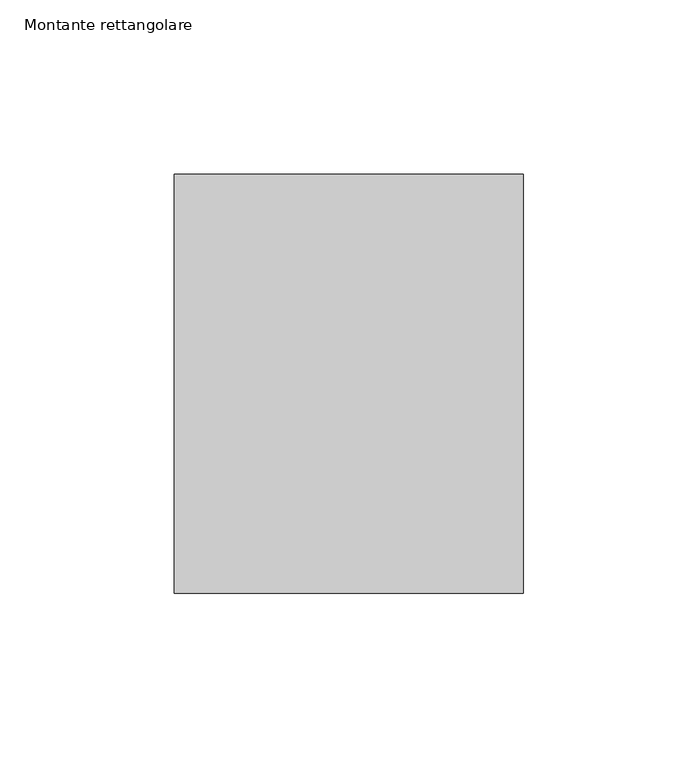
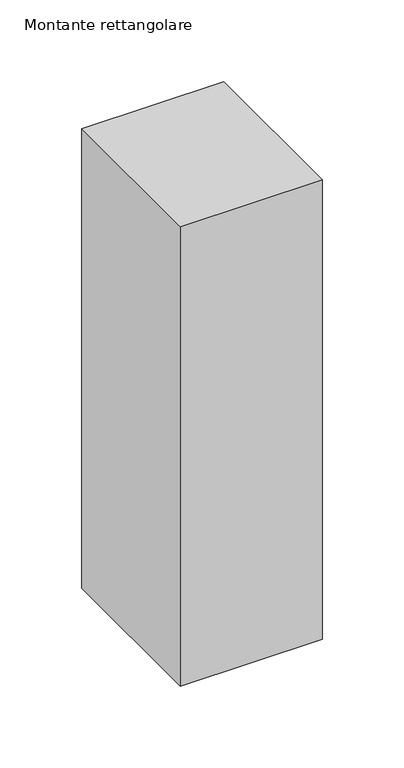
"""IFC4 building model written with IfcOpenShell, lengths in millimetres: member geometry, Montante rettangolare."""

from ifc_helpers import new_model, si_unit, frame, origin, place, context, project, spatial, polyline, outline, extrude, source, transform, mapped, element, save


def montante_rettangolare_0ce14f41(model_context):
    return source(origin(), model_context, "Body", "SweptSolid", [
        extrude(outline(polyline([(50.0, 60.0), (50.0, -60.0), (-50.0, -60.0), (-50.0, 60.0), (50.0, 60.0)])), frame((0.0, 0.0, -342.4474782), z_axis=(0.0, 0.0, 1.0), x_axis=(1.0, 0.0, 0.0)), (0.0, 0.0, 1.0), 342.4474782),
    ])


if __name__ == "__main__":
    model = new_model("IFC4")
    model_context = context("Model", 3, world=origin())
    ifc_project = project(units=[si_unit("LENGTHUNIT", "METRE", prefix="MILLI")], contexts=[model_context])
    site = spatial("IfcSite", under=ifc_project)
    building = spatial("IfcBuilding", under=site)
    placement = place(None, origin())
    montante_rettangolare_shape = montante_rettangolare_0ce14f41(model_context)
    element("IfcMember", 1, ObjectType="Montante rettangolare", at=placement, inside=building, context=model_context, shape_type="MappedRepresentation", body=[
        mapped(montante_rettangolare_shape, transform((0.0, 0.0, 0.0), x_axis=(1.0, 0.0, 0.0), y_axis=(0.0, 1.0, 0.0), z_axis=(0.0, 0.0, 1.0))),
    ])
    save(model, "model.ifc")
